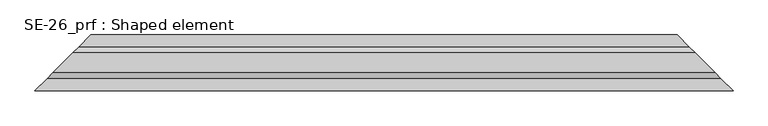
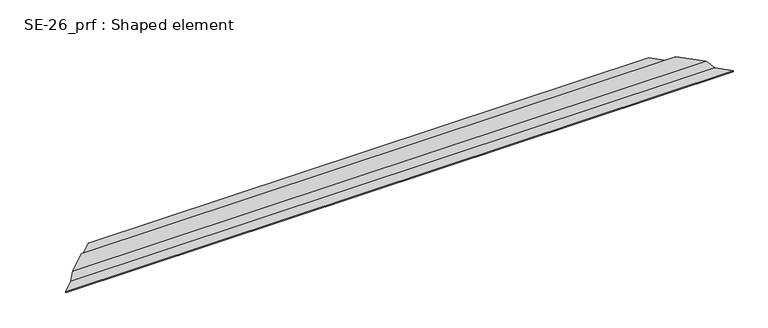
"""IFC4 building model written with IfcOpenShell, lengths in millimetres: proxy geometry, SE-26_prf : Shaped element."""

from ifc_helpers import new_model, si_unit, origin, place, context, project, spatial, faceted_brep, source, transform, mapped, element, save


def se_26_prf_shaped_element_e80b1444(model_context):
    return source(origin(), model_context, "Body", "Brep", [
        faceted_brep([(30.0, 30.0, 5.0), (1480.0, 30.0, 5.0), (1480.0, 30.0, 2.0), (30.0, 30.0, 2.0), (1490.0, 20.0, 2.0), (20.0, 20.0, 2.0), (1490.0, 20.0, 3.0), (20.0, 20.0, 3.0), (1481.0, 29.0, 3.0), (29.0, 29.0, 3.0), (1481.0, 29.0, 4.0), (29.0, 29.0, 4.0), (1510.0, 0.0, 4.0), (1510.4142136, -0.4142136, 4.0), (-0.4142136, -0.4142136, 4.0), (0.0, 0.0, 4.0), (1524.5563492, -14.5563492, 18.1421356), (-14.5563492, -14.5563492, 18.1421356), (1573.7279221, -63.7279221, 18.1421356), (-63.7279221, -63.7279221, 18.1421356), (1587.8700577, -77.8700577, 4.0), (-77.8700577, -77.8700577, 4.0), (1617.2842712, -107.2842712, 4.0), (-107.2842712, -107.2842712, 4.0), (1617.2842712, -107.2842712, 3.0), (-107.2842712, -107.2842712, 3.0), (1608.2842712, -98.2842712, 3.0), (-98.2842712, -98.2842712, 3.0), (1608.2842712, -98.2842712, 2.0), (-98.2842712, -98.2842712, 2.0), (1618.2842712, -108.2842712, 2.0), (-108.2842712, -108.2842712, 2.0), (1618.2842712, -108.2842712, 5.0), (-108.2842712, -108.2842712, 5.0), (1588.2842712, -78.2842712, 5.0), (-78.2842712, -78.2842712, 5.0), (1574.1421356, -64.1421356, 19.1421356), (-64.1421356, -64.1421356, 19.1421356), (1524.1421356, -14.1421356, 19.1421356), (-14.1421356, -14.1421356, 19.1421356), (1510.0, 0.0, 5.0), (0.0, 0.0, 5.0)], [[[0, 1, 2, 3]], [[3, 2, 4, 5]], [[5, 4, 6, 7]], [[7, 6, 8, 9]], [[9, 8, 10, 11]], [[11, 10, 12, 13, 14, 15]], [[14, 13, 16, 17]], [[17, 16, 18, 19]], [[19, 18, 20, 21]], [[21, 20, 22, 23]], [[23, 22, 24, 25]], [[25, 24, 26, 27]], [[27, 26, 28, 29]], [[29, 28, 30, 31]], [[31, 30, 32, 33]], [[33, 32, 34, 35]], [[35, 34, 36, 37]], [[37, 36, 38, 39]], [[39, 38, 40, 41]], [[41, 40, 1, 0]], [[41, 0, 3, 5, 7, 9, 11, 15]], [[15, 14, 17, 19, 21, 23, 25, 27, 29, 31, 33, 35, 37, 39, 41]], [[12, 10, 8, 6, 4, 2, 1, 40]], [[40, 38, 36, 34, 32, 30, 28, 26, 24, 22, 20, 18, 16, 13, 12]]]),
    ])


if __name__ == "__main__":
    model = new_model("IFC4")
    model_context = context("Model", 3, world=origin())
    ifc_project = project(units=[si_unit("LENGTHUNIT", "METRE", prefix="MILLI")], contexts=[model_context])
    site = spatial("IfcSite", under=ifc_project)
    building = spatial("IfcBuilding", under=site)
    placement = place(None, origin())
    se_26_prf_shaped_element_shape = se_26_prf_shaped_element_e80b1444(model_context)
    element("IfcBuildingElementProxy", 1, Name="SE-26_prf : Shaped element", ObjectType="SE-26_prf : Shaped element", at=placement, inside=building, context=model_context, shape_type="MappedRepresentation", body=[
        mapped(se_26_prf_shaped_element_shape, transform((0.0, 0.0, 0.0), x_axis=(1.0, 0.0, 0.0), y_axis=(0.0, 1.0, 0.0), z_axis=(0.0, 0.0, 1.0))),
    ])
    save(model, "model.ifc")
